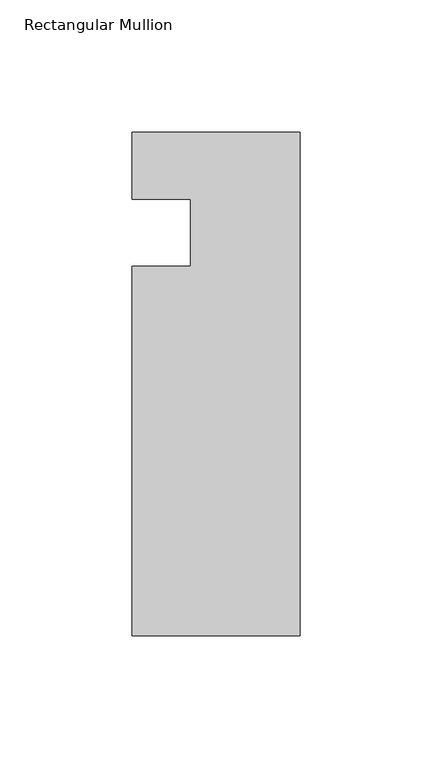
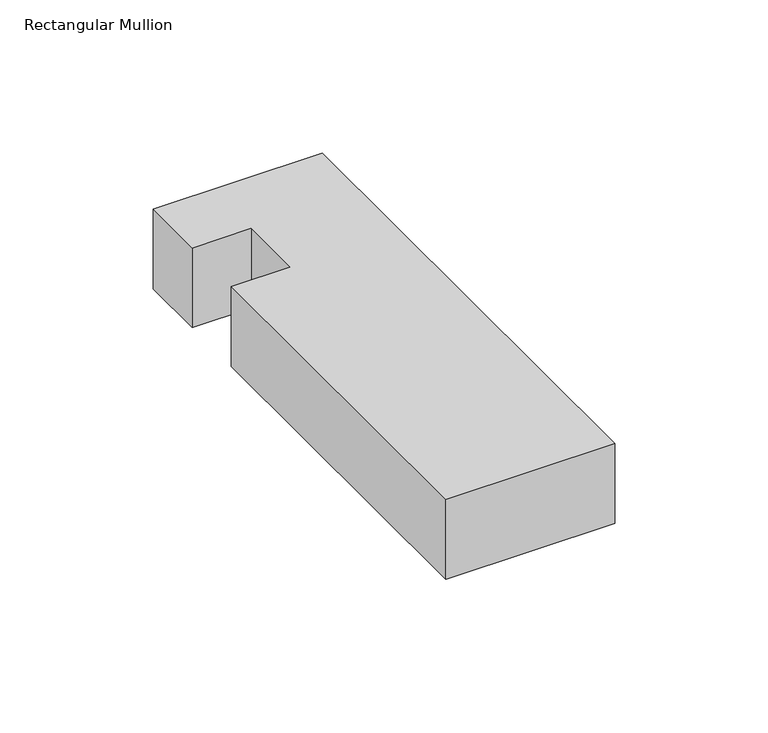
"""IFC4 building model written with IfcOpenShell, lengths in millimetres: member geometry, Rectangular Mullion."""

from ifc_helpers import new_model, si_unit, frame, origin, place, context, project, spatial, polyline, outline, extrude, source, transform, mapped, element, save


def rectangular_mullion_961a870c(model_context):
    return source(origin(), model_context, "Body", "SweptSolid", [
        extrude(outline(polyline([(-63.5, -152.399995), (-63.5, -12.7), (-41.2751132, -12.7), (-41.2751132, 12.7296373), (-63.5, 12.7296373), (-63.5, 38.1), (0.0, 38.1), (0.0, -152.399995), (-63.5, -152.399995)])), frame((0.0, 0.0, -31.75), z_axis=(0.0, 0.0, 1.0), x_axis=(1.0, 0.0, 0.0)), (0.0, 0.0, 1.0), 31.75),
    ])


if __name__ == "__main__":
    model = new_model("IFC4")
    model_context = context("Model", 3, world=origin())
    ifc_project = project(units=[si_unit("LENGTHUNIT", "METRE", prefix="MILLI")], contexts=[model_context])
    site = spatial("IfcSite", under=ifc_project)
    building = spatial("IfcBuilding", under=site)
    placement = place(None, origin())
    rectangular_mullion_shape = rectangular_mullion_961a870c(model_context)
    element("IfcMember", 1, ObjectType="Rectangular Mullion", at=placement, inside=building, context=model_context, shape_type="MappedRepresentation", body=[
        mapped(rectangular_mullion_shape, transform((0.0, 0.0, 0.0), x_axis=(1.0, 0.0, 0.0), y_axis=(0.0, 1.0, 0.0), z_axis=(0.0, 0.0, 1.0))),
    ])
    save(model, "model.ifc")
